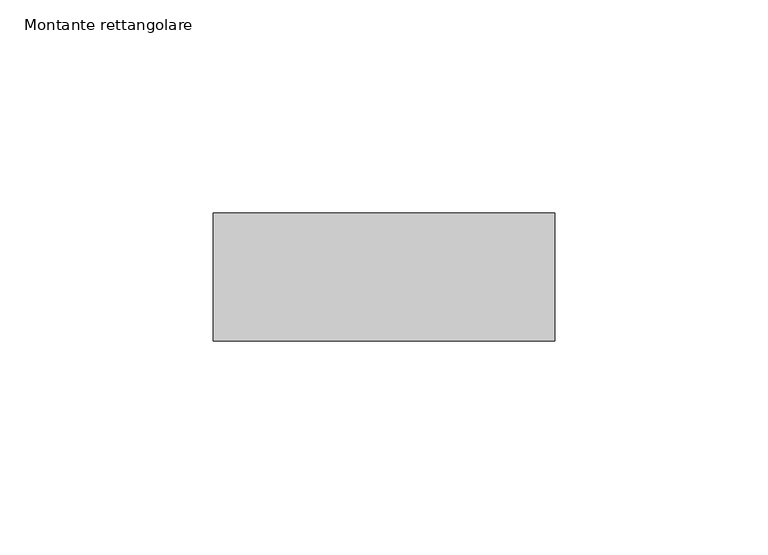
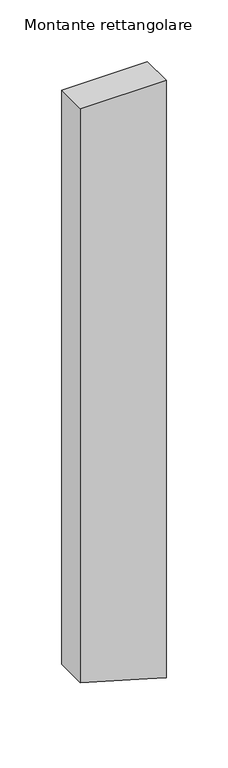
"""IFC4 building model written with IfcOpenShell, lengths in millimetres: member geometry, Montante rettangolare."""

from ifc_helpers import new_model, si_unit, frame, origin, place, context, project, spatial, polyline, outline, extrude, source, transform, mapped, element, save


def montante_rettangolare_41fe25c5(model_context):
    return source(origin(), model_context, "Body", "SweptSolid", [
        extrude(outline(polyline([(0.0, 40.0), (0.0, -40.0), (-566.6902283, -40.0), (-584.8236838, 22.3431692), (-589.9594201, 40.0), (0.0, 40.0)])), frame((0.0, -15.0, 0.0), z_axis=(0.0, 1.0, 0.0), x_axis=(0.0, 0.0, 1.0)), (0.0, 0.0, 1.0), 30.0),
    ])


if __name__ == "__main__":
    model = new_model("IFC4")
    model_context = context("Model", 3, world=origin())
    ifc_project = project(units=[si_unit("LENGTHUNIT", "METRE", prefix="MILLI")], contexts=[model_context])
    site = spatial("IfcSite", under=ifc_project)
    building = spatial("IfcBuilding", under=site)
    placement = place(None, origin())
    montante_rettangolare_shape = montante_rettangolare_41fe25c5(model_context)
    element("IfcMember", 1, ObjectType="Montante rettangolare", at=placement, inside=building, context=model_context, shape_type="MappedRepresentation", body=[
        mapped(montante_rettangolare_shape, transform((0.0, 0.0, 0.0), x_axis=(1.0, 0.0, 0.0), y_axis=(0.0, 1.0, 0.0), z_axis=(0.0, 0.0, 1.0))),
    ])
    save(model, "model.ifc")
